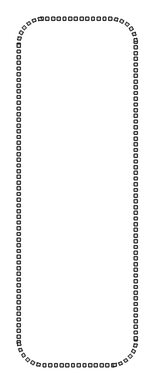
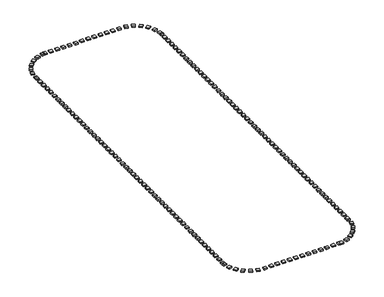
"""IFC4 building model written with IfcOpenShell, lengths in millimetres: railing geometry."""

from ifc_helpers import new_model, si_unit, origin, origin_with_axes, place, context, project, spatial, polyline, outline, extrude, source, transform, mapped, element, save


def railing_03834225(model_context):
    return source(origin(), model_context, "Body", "SweptSolid", [
        extrude(outline(polyline([(-58627.5176302, -182245.3396431), (-58627.5176302, -182745.3396431), (-59127.5176302, -182745.3396431), (-59127.5176302, -182245.3396431), (-58627.5176302, -182245.3396431)])), origin_with_axes(), (0.0, 0.0, 1.0), 200.0),
        extrude(outline(polyline([(-59627.5176302, -182245.3396431), (-59627.5176302, -182745.3396431), (-60127.5176302, -182745.3396431), (-60127.5176302, -182245.3396431), (-59627.5176302, -182245.3396431)])), origin_with_axes(), (0.0, 0.0, 1.0), 200.0),
        extrude(outline(polyline([(-60627.5176302, -182245.3396431), (-60627.5176302, -182745.3396431), (-61127.5176302, -182745.3396431), (-61127.5176302, -182245.3396431), (-60627.5176302, -182245.3396431)])), origin_with_axes(), (0.0, 0.0, 1.0), 200.0),
        extrude(outline(polyline([(-61627.5176302, -182245.3396431), (-61627.5176302, -182745.3396431), (-62127.5176302, -182745.3396431), (-62127.5176302, -182245.3396431), (-61627.5176302, -182245.3396431)])), origin_with_axes(), (0.0, 0.0, 1.0), 200.0),
        extrude(outline(polyline([(-62627.5176302, -182245.3396431), (-62627.5176302, -182745.3396431), (-63127.5176302, -182745.3396431), (-63127.5176302, -182245.3396431), (-62627.5176302, -182245.3396431)])), origin_with_axes(), (0.0, 0.0, 1.0), 200.0),
        extrude(outline(polyline([(-63627.5176302, -182245.3396431), (-63627.5176302, -182745.3396431), (-64127.5176302, -182745.3396431), (-64127.5176302, -182245.3396431), (-63627.5176302, -182245.3396431)])), origin_with_axes(), (0.0, 0.0, 1.0), 200.0),
        extrude(outline(polyline([(-64627.5176302, -182245.3396431), (-64627.5176302, -182745.3396431), (-65127.5176302, -182745.3396431), (-65127.5176302, -182245.3396431), (-64627.5176302, -182245.3396431)])), origin_with_axes(), (0.0, 0.0, 1.0), 200.0),
        extrude(outline(polyline([(-65627.5176302, -182245.3396431), (-65627.5176302, -182745.3396431), (-66127.5176302, -182745.3396431), (-66127.5176302, -182245.3396431), (-65627.5176302, -182245.3396431)])), origin_with_axes(), (0.0, 0.0, 1.0), 200.0),
        extrude(outline(polyline([(-66627.5176302, -182245.3396431), (-66627.5176302, -182745.3396431), (-67127.5176302, -182745.3396431), (-67127.5176302, -182245.3396431), (-66627.5176302, -182245.3396431)])), origin_with_axes(), (0.0, 0.0, 1.0), 200.0),
        extrude(outline(polyline([(-67627.5176302, -182245.3396431), (-67627.5176302, -182745.3396431), (-68127.5176302, -182745.3396431), (-68127.5176302, -182245.3396431), (-67627.5176302, -182245.3396431)])), origin_with_axes(), (0.0, 0.0, 1.0), 200.0),
        extrude(outline(polyline([(-68627.5176302, -182245.3396431), (-68627.5176302, -182745.3396431), (-69127.5176302, -182745.3396431), (-69127.5176302, -182245.3396431), (-68627.5176302, -182245.3396431)])), origin_with_axes(), (0.0, 0.0, 1.0), 200.0),
        extrude(outline(polyline([(-69945.8350377, -182256.6122034), (-69910.4664368, -182755.3596967), (-70409.2139301, -182790.7282975), (-70444.582531, -182291.9808042), (-69945.8350377, -182256.6122034)])), origin_with_axes(), (0.0, 0.0, 1.0), 200.0),
        extrude(outline(polyline([(-71046.4682609, -182474.908856), (-70888.8070797, -182949.4011657), (-71363.2993894, -183107.0623469), (-71520.9605706, -182632.5700372), (-71046.4682609, -182474.908856)])), origin_with_axes(), (0.0, 0.0, 1.0), 200.0),
        extrude(outline(polyline([(-72058.8780066, -182958.7202115), (-71788.7268536, -183379.4557039), (-72209.462346, -183649.6068568), (-72479.613499, -183228.8713644), (-72058.8780066, -182958.7202115)])), origin_with_axes(), (0.0, 0.0, 1.0), 200.0),
        extrude(outline(polyline([(-72920.1175401, -183677.965223), (-72554.2731056, -184018.784603), (-72895.0924857, -184384.6290375), (-73260.9369201, -184043.8096575), (-72920.1175401, -183677.965223)])), origin_with_axes(), (0.0, 0.0, 1.0), 200.0),
        extrude(outline(polyline([(-73576.6391587, -184587.9247194), (-73137.8478777, -184827.6374887), (-73377.560647, -185266.4287697), (-73816.351928, -185026.7160004), (-73576.6391587, -184587.9247194)])), origin_with_axes(), (0.0, 0.0, 1.0), 200.0),
        extrude(outline(polyline([(-73987.6235278, -185632.0218265), (-73503.167317, -185755.7238061), (-73626.8692966, -186240.180017), (-74111.3255075, -186116.4780373), (-73987.6235278, -185632.0218265)])), origin_with_axes(), (0.0, 0.0, 1.0), 200.0),
        extrude(outline(polyline([(-74127.5176302, -186954.0566268), (-73627.5176302, -186954.0566268), (-73627.5176302, -187454.0566268), (-74127.5176302, -187454.0566268), (-74127.5176302, -186954.0566268)])), origin_with_axes(), (0.0, 0.0, 1.0), 200.0),
        extrude(outline(polyline([(-74127.5176302, -187954.0566268), (-73627.5176302, -187954.0566268), (-73627.5176302, -188454.0566268), (-74127.5176302, -188454.0566268), (-74127.5176302, -187954.0566268)])), origin_with_axes(), (0.0, 0.0, 1.0), 200.0),
        extrude(outline(polyline([(-74127.5176302, -188954.0566268), (-73627.5176302, -188954.0566268), (-73627.5176302, -189454.0566268), (-74127.5176302, -189454.0566268), (-74127.5176302, -188954.0566268)])), origin_with_axes(), (0.0, 0.0, 1.0), 200.0),
        extrude(outline(polyline([(-74127.5176302, -189954.0566268), (-73627.5176302, -189954.0566268), (-73627.5176302, -190454.0566268), (-74127.5176302, -190454.0566268), (-74127.5176302, -189954.0566268)])), origin_with_axes(), (0.0, 0.0, 1.0), 200.0),
        extrude(outline(polyline([(-74127.5176302, -190954.0566268), (-73627.5176302, -190954.0566268), (-73627.5176302, -191454.0566268), (-74127.5176302, -191454.0566268), (-74127.5176302, -190954.0566268)])), origin_with_axes(), (0.0, 0.0, 1.0), 200.0),
        extrude(outline(polyline([(-74127.5176302, -191954.0566268), (-73627.5176302, -191954.0566268), (-73627.5176302, -192454.0566268), (-74127.5176302, -192454.0566268), (-74127.5176302, -191954.0566268)])), origin_with_axes(), (0.0, 0.0, 1.0), 200.0),
        extrude(outline(polyline([(-74127.5176302, -192954.0566268), (-73627.5176302, -192954.0566268), (-73627.5176302, -193454.0566268), (-74127.5176302, -193454.0566268), (-74127.5176302, -192954.0566268)])), origin_with_axes(), (0.0, 0.0, 1.0), 200.0),
        extrude(outline(polyline([(-74127.5176302, -193954.0566268), (-73627.5176302, -193954.0566268), (-73627.5176302, -194454.0566268), (-74127.5176302, -194454.0566268), (-74127.5176302, -193954.0566268)])), origin_with_axes(), (0.0, 0.0, 1.0), 200.0),
        extrude(outline(polyline([(-74127.5176302, -194954.0566268), (-73627.5176302, -194954.0566268), (-73627.5176302, -195454.0566268), (-74127.5176302, -195454.0566268), (-74127.5176302, -194954.0566268)])), origin_with_axes(), (0.0, 0.0, 1.0), 200.0),
        extrude(outline(polyline([(-74127.5176302, -195954.0566268), (-73627.5176302, -195954.0566268), (-73627.5176302, -196454.0566268), (-74127.5176302, -196454.0566268), (-74127.5176302, -195954.0566268)])), origin_with_axes(), (0.0, 0.0, 1.0), 200.0),
        extrude(outline(polyline([(-74127.5176302, -196954.0566268), (-73627.5176302, -196954.0566268), (-73627.5176302, -197454.0566268), (-74127.5176302, -197454.0566268), (-74127.5176302, -196954.0566268)])), origin_with_axes(), (0.0, 0.0, 1.0), 200.0),
        extrude(outline(polyline([(-74127.5176302, -197954.0566268), (-73627.5176302, -197954.0566268), (-73627.5176302, -198454.0566268), (-74127.5176302, -198454.0566268), (-74127.5176302, -197954.0566268)])), origin_with_axes(), (0.0, 0.0, 1.0), 200.0),
        extrude(outline(polyline([(-74127.5176302, -198954.0566268), (-73627.5176302, -198954.0566268), (-73627.5176302, -199454.0566268), (-74127.5176302, -199454.0566268), (-74127.5176302, -198954.0566268)])), origin_with_axes(), (0.0, 0.0, 1.0), 200.0),
        extrude(outline(polyline([(-74127.5176302, -199954.0566268), (-73627.5176302, -199954.0566268), (-73627.5176302, -200454.0566268), (-74127.5176302, -200454.0566268), (-74127.5176302, -199954.0566268)])), origin_with_axes(), (0.0, 0.0, 1.0), 200.0),
        extrude(outline(polyline([(-74127.5176302, -200954.0566268), (-73627.5176302, -200954.0566268), (-73627.5176302, -201454.0566268), (-74127.5176302, -201454.0566268), (-74127.5176302, -200954.0566268)])), origin_with_axes(), (0.0, 0.0, 1.0), 200.0),
        extrude(outline(polyline([(-74127.5176302, -201954.0566268), (-73627.5176302, -201954.0566268), (-73627.5176302, -202454.0566268), (-74127.5176302, -202454.0566268), (-74127.5176302, -201954.0566268)])), origin_with_axes(), (0.0, 0.0, 1.0), 200.0),
        extrude(outline(polyline([(-74127.5176302, -202954.0566268), (-73627.5176302, -202954.0566268), (-73627.5176302, -203454.0566268), (-74127.5176302, -203454.0566268), (-74127.5176302, -202954.0566268)])), origin_with_axes(), (0.0, 0.0, 1.0), 200.0),
        extrude(outline(polyline([(-74127.5176302, -203954.0566268), (-73627.5176302, -203954.0566268), (-73627.5176302, -204454.0566268), (-74127.5176302, -204454.0566268), (-74127.5176302, -203954.0566268)])), origin_with_axes(), (0.0, 0.0, 1.0), 200.0),
        extrude(outline(polyline([(-74127.5176302, -204954.0566268), (-73627.5176302, -204954.0566268), (-73627.5176302, -205454.0566268), (-74127.5176302, -205454.0566268), (-74127.5176302, -204954.0566268)])), origin_with_axes(), (0.0, 0.0, 1.0), 200.0),
        extrude(outline(polyline([(-74127.5176302, -205954.0566268), (-73627.5176302, -205954.0566268), (-73627.5176302, -206454.0566268), (-74127.5176302, -206454.0566268), (-74127.5176302, -205954.0566268)])), origin_with_axes(), (0.0, 0.0, 1.0), 200.0),
        extrude(outline(polyline([(-74127.5176302, -206954.0566268), (-73627.5176302, -206954.0566268), (-73627.5176302, -207454.0566268), (-74127.5176302, -207454.0566268), (-74127.5176302, -206954.0566268)])), origin_with_axes(), (0.0, 0.0, 1.0), 200.0),
        extrude(outline(polyline([(-74127.5176302, -207954.0566268), (-73627.5176302, -207954.0566268), (-73627.5176302, -208454.0566268), (-74127.5176302, -208454.0566268), (-74127.5176302, -207954.0566268)])), origin_with_axes(), (0.0, 0.0, 1.0), 200.0),
        extrude(outline(polyline([(-74127.5176302, -208954.0566268), (-73627.5176302, -208954.0566268), (-73627.5176302, -209454.0566268), (-74127.5176302, -209454.0566268), (-74127.5176302, -208954.0566268)])), origin_with_axes(), (0.0, 0.0, 1.0), 200.0),
        extrude(outline(polyline([(-74127.5176302, -209954.0566268), (-73627.5176302, -209954.0566268), (-73627.5176302, -210454.0566268), (-74127.5176302, -210454.0566268), (-74127.5176302, -209954.0566268)])), origin_with_axes(), (0.0, 0.0, 1.0), 200.0),
        extrude(outline(polyline([(-74127.5176302, -210954.0566268), (-73627.5176302, -210954.0566268), (-73627.5176302, -211454.0566268), (-74127.5176302, -211454.0566268), (-74127.5176302, -210954.0566268)])), origin_with_axes(), (0.0, 0.0, 1.0), 200.0),
        extrude(outline(polyline([(-74127.5176302, -211954.0566268), (-73627.5176302, -211954.0566268), (-73627.5176302, -212454.0566268), (-74127.5176302, -212454.0566268), (-74127.5176302, -211954.0566268)])), origin_with_axes(), (0.0, 0.0, 1.0), 200.0),
        extrude(outline(polyline([(-74127.5176302, -212954.0566268), (-73627.5176302, -212954.0566268), (-73627.5176302, -213454.0566268), (-74127.5176302, -213454.0566268), (-74127.5176302, -212954.0566268)])), origin_with_axes(), (0.0, 0.0, 1.0), 200.0),
        extrude(outline(polyline([(-74127.5176302, -213954.0566268), (-73627.5176302, -213954.0566268), (-73627.5176302, -214454.0566268), (-74127.5176302, -214454.0566268), (-74127.5176302, -213954.0566268)])), origin_with_axes(), (0.0, 0.0, 1.0), 200.0),
        extrude(outline(polyline([(-74127.5176302, -214954.0566268), (-73627.5176302, -214954.0566268), (-73627.5176302, -215454.0566268), (-74127.5176302, -215454.0566268), (-74127.5176302, -214954.0566268)])), origin_with_axes(), (0.0, 0.0, 1.0), 200.0),
        extrude(outline(polyline([(-74127.5176302, -215954.0566268), (-73627.5176302, -215954.0566268), (-73627.5176302, -216454.0566268), (-74127.5176302, -216454.0566268), (-74127.5176302, -215954.0566268)])), origin_with_axes(), (0.0, 0.0, 1.0), 200.0),
        extrude(outline(polyline([(-74127.5176302, -216954.0566268), (-73627.5176302, -216954.0566268), (-73627.5176302, -217454.0566268), (-74127.5176302, -217454.0566268), (-74127.5176302, -216954.0566268)])), origin_with_axes(), (0.0, 0.0, 1.0), 200.0),
        extrude(outline(polyline([(-74127.5176302, -217954.0566268), (-73627.5176302, -217954.0566268), (-73627.5176302, -218454.0566268), (-74127.5176302, -218454.0566268), (-74127.5176302, -217954.0566268)])), origin_with_axes(), (0.0, 0.0, 1.0), 200.0),
        extrude(outline(polyline([(-74127.5176302, -218954.0566268), (-73627.5176302, -218954.0566268), (-73627.5176302, -219454.0566268), (-74127.5176302, -219454.0566268), (-74127.5176302, -218954.0566268)])), origin_with_axes(), (0.0, 0.0, 1.0), 200.0),
        extrude(outline(polyline([(-74127.5176302, -219954.0566268), (-73627.5176302, -219954.0566268), (-73627.5176302, -220454.0566268), (-74127.5176302, -220454.0566268), (-74127.5176302, -219954.0566268)])), origin_with_axes(), (0.0, 0.0, 1.0), 200.0),
        extrude(outline(polyline([(-74127.5176302, -220954.0566268), (-73627.5176302, -220954.0566268), (-73627.5176302, -221454.0566268), (-74127.5176302, -221454.0566268), (-74127.5176302, -220954.0566268)])), origin_with_axes(), (0.0, 0.0, 1.0), 200.0),
        extrude(outline(polyline([(-74127.5176302, -221954.0566268), (-73627.5176302, -221954.0566268), (-73627.5176302, -222454.0566268), (-74127.5176302, -222454.0566268), (-74127.5176302, -221954.0566268)])), origin_with_axes(), (0.0, 0.0, 1.0), 200.0),
        extrude(outline(polyline([(-74127.5176302, -222954.0566268), (-73627.5176302, -222954.0566268), (-73627.5176302, -223454.0566268), (-74127.5176302, -223454.0566268), (-74127.5176302, -222954.0566268)])), origin_with_axes(), (0.0, 0.0, 1.0), 200.0),
        extrude(outline(polyline([(-74127.5176302, -223954.0566268), (-73627.5176302, -223954.0566268), (-73627.5176302, -224454.0566268), (-74127.5176302, -224454.0566268), (-74127.5176302, -223954.0566268)])), origin_with_axes(), (0.0, 0.0, 1.0), 200.0),
        extrude(outline(polyline([(-74127.5176302, -224954.0566268), (-73627.5176302, -224954.0566268), (-73627.5176302, -225454.0566268), (-74127.5176302, -225454.0566268), (-74127.5176302, -224954.0566268)])), origin_with_axes(), (0.0, 0.0, 1.0), 200.0),
        extrude(outline(polyline([(-74127.5176302, -225954.0566268), (-73627.5176302, -225954.0566268), (-73627.5176302, -226454.0566268), (-74127.5176302, -226454.0566268), (-74127.5176302, -225954.0566268)])), origin_with_axes(), (0.0, 0.0, 1.0), 200.0),
        extrude(outline(polyline([(-74127.5176302, -226954.0566268), (-73627.5176302, -226954.0566268), (-73627.5176302, -227454.0566268), (-74127.5176302, -227454.0566268), (-74127.5176302, -226954.0566268)])), origin_with_axes(), (0.0, 0.0, 1.0), 200.0),
        extrude(outline(polyline([(-74127.5176302, -227954.0566268), (-73627.5176302, -227954.0566268), (-73627.5176302, -228454.0566268), (-74127.5176302, -228454.0566268), (-74127.5176302, -227954.0566268)])), origin_with_axes(), (0.0, 0.0, 1.0), 200.0),
        extrude(outline(polyline([(-74127.5176302, -228954.0566268), (-73627.5176302, -228954.0566268), (-73627.5176302, -229454.0566268), (-74127.5176302, -229454.0566268), (-74127.5176302, -228954.0566268)])), origin_with_axes(), (0.0, 0.0, 1.0), 200.0),
        extrude(outline(polyline([(-74127.5176302, -229954.0566268), (-73627.5176302, -229954.0566268), (-73627.5176302, -230454.0566268), (-74127.5176302, -230454.0566268), (-74127.5176302, -229954.0566268)])), origin_with_axes(), (0.0, 0.0, 1.0), 200.0),
        extrude(outline(polyline([(-74127.5176302, -230954.0566268), (-73627.5176302, -230954.0566268), (-73627.5176302, -231454.0566268), (-74127.5176302, -231454.0566268), (-74127.5176302, -230954.0566268)])), origin_with_axes(), (0.0, 0.0, 1.0), 200.0),
        extrude(outline(polyline([(-74127.5176302, -231954.0566268), (-73627.5176302, -231954.0566268), (-73627.5176302, -232454.0566268), (-74127.5176302, -232454.0566268), (-74127.5176302, -231954.0566268)])), origin_with_axes(), (0.0, 0.0, 1.0), 200.0),
        extrude(outline(polyline([(-74127.5176302, -232954.0566268), (-73627.5176302, -232954.0566268), (-73627.5176302, -233454.0566268), (-74127.5176302, -233454.0566268), (-74127.5176302, -232954.0566268)])), origin_with_axes(), (0.0, 0.0, 1.0), 200.0),
        extrude(outline(polyline([(-74127.5176302, -233954.0566268), (-73627.5176302, -233954.0566268), (-73627.5176302, -234454.0566268), (-74127.5176302, -234454.0566268), (-74127.5176302, -233954.0566268)])), origin_with_axes(), (0.0, 0.0, 1.0), 200.0),
        extrude(outline(polyline([(-74127.5176302, -234954.0566268), (-73627.5176302, -234954.0566268), (-73627.5176302, -235454.0566268), (-74127.5176302, -235454.0566268), (-74127.5176302, -234954.0566268)])), origin_with_axes(), (0.0, 0.0, 1.0), 200.0),
        extrude(outline(polyline([(-74127.5176302, -235954.0566268), (-73627.5176302, -235954.0566268), (-73627.5176302, -236454.0566268), (-74127.5176302, -236454.0566268), (-74127.5176302, -235954.0566268)])), origin_with_axes(), (0.0, 0.0, 1.0), 200.0),
        extrude(outline(polyline([(-74127.5176302, -236954.0566268), (-73627.5176302, -236954.0566268), (-73627.5176302, -237454.0566268), (-74127.5176302, -237454.0566268), (-74127.5176302, -236954.0566268)])), origin_with_axes(), (0.0, 0.0, 1.0), 200.0),
        extrude(outline(polyline([(-74127.5176302, -237954.0566268), (-73627.5176302, -237954.0566268), (-73627.5176302, -238454.0566268), (-74127.5176302, -238454.0566268), (-74127.5176302, -237954.0566268)])), origin_with_axes(), (0.0, 0.0, 1.0), 200.0),
        extrude(outline(polyline([(-74116.2450699, -239272.3740343), (-73617.4975766, -239237.0054335), (-73582.1289757, -239735.7529268), (-74080.876469, -239771.1215276), (-74116.2450699, -239272.3740343)])), origin_with_axes(), (0.0, 0.0, 1.0), 200.0),
        extrude(outline(polyline([(-73897.9484173, -240373.0072576), (-73423.4561076, -240215.3460764), (-73265.7949264, -240689.838386), (-73740.2872361, -240847.4995672), (-73897.9484173, -240373.0072576)])), origin_with_axes(), (0.0, 0.0, 1.0), 200.0),
        extrude(outline(polyline([(-73414.1370618, -241385.4170032), (-72993.4015694, -241115.2658503), (-72723.2504164, -241536.0013427), (-73143.9859089, -241806.1524956), (-73414.1370618, -241385.4170032)])), origin_with_axes(), (0.0, 0.0, 1.0), 200.0),
        extrude(outline(polyline([(-72694.8920503, -242246.6565367), (-72354.0726702, -241880.8121023), (-71988.2282358, -242221.6314823), (-72329.0476158, -242587.4759167), (-72694.8920503, -242246.6565367)])), origin_with_axes(), (0.0, 0.0, 1.0), 200.0),
        extrude(outline(polyline([(-71784.9325539, -242903.1781553), (-71545.2197846, -242464.3868743), (-71106.4285036, -242704.0996436), (-71346.1412729, -243142.8909246), (-71784.9325539, -242903.1781553)])), origin_with_axes(), (0.0, 0.0, 1.0), 200.0),
        extrude(outline(polyline([(-70740.8354468, -243314.1625245), (-70617.1334672, -242829.7063136), (-70132.6772563, -242953.4082933), (-70256.3792359, -243437.8645041), (-70740.8354468, -243314.1625245)])), origin_with_axes(), (0.0, 0.0, 1.0), 200.0),
        extrude(outline(polyline([(-68627.5176302, -243454.0566268), (-68627.5176302, -242954.0566268), (-68127.5176302, -242954.0566268), (-68127.5176302, -243454.0566268), (-68627.5176302, -243454.0566268)])), origin_with_axes(), (0.0, 0.0, 1.0), 200.0),
        extrude(outline(polyline([(-67627.5176302, -243454.0566268), (-67627.5176302, -242954.0566268), (-67127.5176302, -242954.0566268), (-67127.5176302, -243454.0566268), (-67627.5176302, -243454.0566268)])), origin_with_axes(), (0.0, 0.0, 1.0), 200.0),
        extrude(outline(polyline([(-66627.5176302, -243454.0566268), (-66627.5176302, -242954.0566268), (-66127.5176302, -242954.0566268), (-66127.5176302, -243454.0566268), (-66627.5176302, -243454.0566268)])), origin_with_axes(), (0.0, 0.0, 1.0), 200.0),
        extrude(outline(polyline([(-65627.5176302, -243454.0566268), (-65627.5176302, -242954.0566268), (-65127.5176302, -242954.0566268), (-65127.5176302, -243454.0566268), (-65627.5176302, -243454.0566268)])), origin_with_axes(), (0.0, 0.0, 1.0), 200.0),
        extrude(outline(polyline([(-64627.5176302, -243454.0566268), (-64627.5176302, -242954.0566268), (-64127.5176302, -242954.0566268), (-64127.5176302, -243454.0566268), (-64627.5176302, -243454.0566268)])), origin_with_axes(), (0.0, 0.0, 1.0), 200.0),
        extrude(outline(polyline([(-63627.5176302, -243454.0566268), (-63627.5176302, -242954.0566268), (-63127.5176302, -242954.0566268), (-63127.5176302, -243454.0566268), (-63627.5176302, -243454.0566268)])), origin_with_axes(), (0.0, 0.0, 1.0), 200.0),
        extrude(outline(polyline([(-62627.5176302, -243454.0566268), (-62627.5176302, -242954.0566268), (-62127.5176302, -242954.0566268), (-62127.5176302, -243454.0566268), (-62627.5176302, -243454.0566268)])), origin_with_axes(), (0.0, 0.0, 1.0), 200.0),
        extrude(outline(polyline([(-61627.5176302, -243454.0566268), (-61627.5176302, -242954.0566268), (-61127.5176302, -242954.0566268), (-61127.5176302, -243454.0566268), (-61627.5176302, -243454.0566268)])), origin_with_axes(), (0.0, 0.0, 1.0), 200.0),
        extrude(outline(polyline([(-60627.5176302, -243454.0566268), (-60627.5176302, -242954.0566268), (-60127.5176302, -242954.0566268), (-60127.5176302, -243454.0566268), (-60627.5176302, -243454.0566268)])), origin_with_axes(), (0.0, 0.0, 1.0), 200.0),
        extrude(outline(polyline([(-59627.5176302, -243454.0566268), (-59627.5176302, -242954.0566268), (-59127.5176302, -242954.0566268), (-59127.5176302, -243454.0566268), (-59627.5176302, -243454.0566268)])), origin_with_axes(), (0.0, 0.0, 1.0), 200.0),
        extrude(outline(polyline([(-58627.5176302, -243454.0566268), (-58627.5176302, -242954.0566268), (-58127.5176302, -242954.0566268), (-58127.5176302, -243454.0566268), (-58627.5176302, -243454.0566268)])), origin_with_axes(), (0.0, 0.0, 1.0), 200.0),
        extrude(outline(polyline([(-57309.2002226, -243442.7840665), (-57344.5688235, -242944.0365732), (-56845.8213302, -242908.6679724), (-56810.4527293, -243407.4154657), (-57309.2002226, -243442.7840665)])), origin_with_axes(), (0.0, 0.0, 1.0), 200.0),
        extrude(outline(polyline([(-56208.5669994, -243224.4874139), (-56366.2281806, -242749.9951042), (-55891.7358709, -242592.333923), (-55734.0746897, -243066.8262327), (-56208.5669994, -243224.4874139)])), origin_with_axes(), (0.0, 0.0, 1.0), 200.0),
        extrude(outline(polyline([(-55196.1572537, -242740.6760584), (-55466.3084067, -242319.940566), (-55045.5729143, -242049.7894131), (-54775.4217613, -242470.5249055), (-55196.1572537, -242740.6760584)])), origin_with_axes(), (0.0, 0.0, 1.0), 200.0),
        extrude(outline(polyline([(-54334.9177202, -242021.4310469), (-54700.7621547, -241680.6116669), (-54359.9427746, -241314.7672324), (-53994.0983402, -241655.5866125), (-54334.9177202, -242021.4310469)])), origin_with_axes(), (0.0, 0.0, 1.0), 200.0),
        extrude(outline(polyline([(-53678.3961016, -241111.4715505), (-54117.1873826, -240871.7587812), (-53877.4746133, -240432.9675003), (-53438.6833323, -240672.6802696), (-53678.3961016, -241111.4715505)])), origin_with_axes(), (0.0, 0.0, 1.0), 200.0),
        extrude(outline(polyline([(-53267.4117325, -240067.3744434), (-53751.8679433, -239943.6724638), (-53628.1659637, -239459.2162529), (-53143.7097528, -239582.9182326), (-53267.4117325, -240067.3744434)])), origin_with_axes(), (0.0, 0.0, 1.0), 200.0),
        extrude(outline(polyline([(-53127.5176302, -238745.3396431), (-53627.5176302, -238745.3396431), (-53627.5176302, -238245.3396431), (-53127.5176302, -238245.3396431), (-53127.5176302, -238745.3396431)])), origin_with_axes(), (0.0, 0.0, 1.0), 200.0),
        extrude(outline(polyline([(-53127.5176302, -237745.3396431), (-53627.5176302, -237745.3396431), (-53627.5176302, -237245.3396431), (-53127.5176302, -237245.3396431), (-53127.5176302, -237745.3396431)])), origin_with_axes(), (0.0, 0.0, 1.0), 200.0),
        extrude(outline(polyline([(-53127.5176302, -236745.3396431), (-53627.5176302, -236745.3396431), (-53627.5176302, -236245.3396431), (-53127.5176302, -236245.3396431), (-53127.5176302, -236745.3396431)])), origin_with_axes(), (0.0, 0.0, 1.0), 200.0),
        extrude(outline(polyline([(-53127.5176302, -235745.3396431), (-53627.5176302, -235745.3396431), (-53627.5176302, -235245.3396431), (-53127.5176302, -235245.3396431), (-53127.5176302, -235745.3396431)])), origin_with_axes(), (0.0, 0.0, 1.0), 200.0),
        extrude(outline(polyline([(-53127.5176302, -234745.3396431), (-53627.5176302, -234745.3396431), (-53627.5176302, -234245.3396431), (-53127.5176302, -234245.3396431), (-53127.5176302, -234745.3396431)])), origin_with_axes(), (0.0, 0.0, 1.0), 200.0),
        extrude(outline(polyline([(-53127.5176302, -233745.3396431), (-53627.5176302, -233745.3396431), (-53627.5176302, -233245.3396431), (-53127.5176302, -233245.3396431), (-53127.5176302, -233745.3396431)])), origin_with_axes(), (0.0, 0.0, 1.0), 200.0),
        extrude(outline(polyline([(-53127.5176302, -232745.3396431), (-53627.5176302, -232745.3396431), (-53627.5176302, -232245.3396431), (-53127.5176302, -232245.3396431), (-53127.5176302, -232745.3396431)])), origin_with_axes(), (0.0, 0.0, 1.0), 200.0),
        extrude(outline(polyline([(-53127.5176302, -231745.3396431), (-53627.5176302, -231745.3396431), (-53627.5176302, -231245.3396431), (-53127.5176302, -231245.3396431), (-53127.5176302, -231745.3396431)])), origin_with_axes(), (0.0, 0.0, 1.0), 200.0),
        extrude(outline(polyline([(-53127.5176302, -230745.3396431), (-53627.5176302, -230745.3396431), (-53627.5176302, -230245.3396431), (-53127.5176302, -230245.3396431), (-53127.5176302, -230745.3396431)])), origin_with_axes(), (0.0, 0.0, 1.0), 200.0),
        extrude(outline(polyline([(-53127.5176302, -229745.3396431), (-53627.5176302, -229745.3396431), (-53627.5176302, -229245.3396431), (-53127.5176302, -229245.3396431), (-53127.5176302, -229745.3396431)])), origin_with_axes(), (0.0, 0.0, 1.0), 200.0),
        extrude(outline(polyline([(-53127.5176302, -228745.3396431), (-53627.5176302, -228745.3396431), (-53627.5176302, -228245.3396431), (-53127.5176302, -228245.3396431), (-53127.5176302, -228745.3396431)])), origin_with_axes(), (0.0, 0.0, 1.0), 200.0),
        extrude(outline(polyline([(-53127.5176302, -227745.3396431), (-53627.5176302, -227745.3396431), (-53627.5176302, -227245.3396431), (-53127.5176302, -227245.3396431), (-53127.5176302, -227745.3396431)])), origin_with_axes(), (0.0, 0.0, 1.0), 200.0),
        extrude(outline(polyline([(-53127.5176302, -226745.3396431), (-53627.5176302, -226745.3396431), (-53627.5176302, -226245.3396431), (-53127.5176302, -226245.3396431), (-53127.5176302, -226745.3396431)])), origin_with_axes(), (0.0, 0.0, 1.0), 200.0),
        extrude(outline(polyline([(-53127.5176302, -225745.3396431), (-53627.5176302, -225745.3396431), (-53627.5176302, -225245.3396431), (-53127.5176302, -225245.3396431), (-53127.5176302, -225745.3396431)])), origin_with_axes(), (0.0, 0.0, 1.0), 200.0),
        extrude(outline(polyline([(-53127.5176302, -224745.3396431), (-53627.5176302, -224745.3396431), (-53627.5176302, -224245.3396431), (-53127.5176302, -224245.3396431), (-53127.5176302, -224745.3396431)])), origin_with_axes(), (0.0, 0.0, 1.0), 200.0),
        extrude(outline(polyline([(-53127.5176302, -223745.3396431), (-53627.5176302, -223745.3396431), (-53627.5176302, -223245.3396431), (-53127.5176302, -223245.3396431), (-53127.5176302, -223745.3396431)])), origin_with_axes(), (0.0, 0.0, 1.0), 200.0),
        extrude(outline(polyline([(-53127.5176302, -222745.3396431), (-53627.5176302, -222745.3396431), (-53627.5176302, -222245.3396431), (-53127.5176302, -222245.3396431), (-53127.5176302, -222745.3396431)])), origin_with_axes(), (0.0, 0.0, 1.0), 200.0),
        extrude(outline(polyline([(-53127.5176302, -221745.3396431), (-53627.5176302, -221745.3396431), (-53627.5176302, -221245.3396431), (-53127.5176302, -221245.3396431), (-53127.5176302, -221745.3396431)])), origin_with_axes(), (0.0, 0.0, 1.0), 200.0),
        extrude(outline(polyline([(-53127.5176302, -220745.3396431), (-53627.5176302, -220745.3396431), (-53627.5176302, -220245.3396431), (-53127.5176302, -220245.3396431), (-53127.5176302, -220745.3396431)])), origin_with_axes(), (0.0, 0.0, 1.0), 200.0),
        extrude(outline(polyline([(-53127.5176302, -219745.3396431), (-53627.5176302, -219745.3396431), (-53627.5176302, -219245.3396431), (-53127.5176302, -219245.3396431), (-53127.5176302, -219745.3396431)])), origin_with_axes(), (0.0, 0.0, 1.0), 200.0),
        extrude(outline(polyline([(-53127.5176302, -218745.3396431), (-53627.5176302, -218745.3396431), (-53627.5176302, -218245.3396431), (-53127.5176302, -218245.3396431), (-53127.5176302, -218745.3396431)])), origin_with_axes(), (0.0, 0.0, 1.0), 200.0),
        extrude(outline(polyline([(-53127.5176302, -217745.3396431), (-53627.5176302, -217745.3396431), (-53627.5176302, -217245.3396431), (-53127.5176302, -217245.3396431), (-53127.5176302, -217745.3396431)])), origin_with_axes(), (0.0, 0.0, 1.0), 200.0),
        extrude(outline(polyline([(-53127.5176302, -216745.3396431), (-53627.5176302, -216745.3396431), (-53627.5176302, -216245.3396431), (-53127.5176302, -216245.3396431), (-53127.5176302, -216745.3396431)])), origin_with_axes(), (0.0, 0.0, 1.0), 200.0),
        extrude(outline(polyline([(-53127.5176302, -215745.3396431), (-53627.5176302, -215745.3396431), (-53627.5176302, -215245.3396431), (-53127.5176302, -215245.3396431), (-53127.5176302, -215745.3396431)])), origin_with_axes(), (0.0, 0.0, 1.0), 200.0),
        extrude(outline(polyline([(-53127.5176302, -214745.3396431), (-53627.5176302, -214745.3396431), (-53627.5176302, -214245.3396431), (-53127.5176302, -214245.3396431), (-53127.5176302, -214745.3396431)])), origin_with_axes(), (0.0, 0.0, 1.0), 200.0),
        extrude(outline(polyline([(-53127.5176302, -213745.3396431), (-53627.5176302, -213745.3396431), (-53627.5176302, -213245.3396431), (-53127.5176302, -213245.3396431), (-53127.5176302, -213745.3396431)])), origin_with_axes(), (0.0, 0.0, 1.0), 200.0),
        extrude(outline(polyline([(-53127.5176302, -212745.3396431), (-53627.5176302, -212745.3396431), (-53627.5176302, -212245.3396431), (-53127.5176302, -212245.3396431), (-53127.5176302, -212745.3396431)])), origin_with_axes(), (0.0, 0.0, 1.0), 200.0),
        extrude(outline(polyline([(-53127.5176302, -211745.3396431), (-53627.5176302, -211745.3396431), (-53627.5176302, -211245.3396431), (-53127.5176302, -211245.3396431), (-53127.5176302, -211745.3396431)])), origin_with_axes(), (0.0, 0.0, 1.0), 200.0),
        extrude(outline(polyline([(-53127.5176302, -210745.3396431), (-53627.5176302, -210745.3396431), (-53627.5176302, -210245.3396431), (-53127.5176302, -210245.3396431), (-53127.5176302, -210745.3396431)])), origin_with_axes(), (0.0, 0.0, 1.0), 200.0),
        extrude(outline(polyline([(-53127.5176302, -209745.3396431), (-53627.5176302, -209745.3396431), (-53627.5176302, -209245.3396431), (-53127.5176302, -209245.3396431), (-53127.5176302, -209745.3396431)])), origin_with_axes(), (0.0, 0.0, 1.0), 200.0),
        extrude(outline(polyline([(-53127.5176302, -208745.3396431), (-53627.5176302, -208745.3396431), (-53627.5176302, -208245.3396431), (-53127.5176302, -208245.3396431), (-53127.5176302, -208745.3396431)])), origin_with_axes(), (0.0, 0.0, 1.0), 200.0),
        extrude(outline(polyline([(-53127.5176302, -207745.3396431), (-53627.5176302, -207745.3396431), (-53627.5176302, -207245.3396431), (-53127.5176302, -207245.3396431), (-53127.5176302, -207745.3396431)])), origin_with_axes(), (0.0, 0.0, 1.0), 200.0),
        extrude(outline(polyline([(-53127.5176302, -206745.3396431), (-53627.5176302, -206745.3396431), (-53627.5176302, -206245.3396431), (-53127.5176302, -206245.3396431), (-53127.5176302, -206745.3396431)])), origin_with_axes(), (0.0, 0.0, 1.0), 200.0),
        extrude(outline(polyline([(-53127.5176302, -205745.3396431), (-53627.5176302, -205745.3396431), (-53627.5176302, -205245.3396431), (-53127.5176302, -205245.3396431), (-53127.5176302, -205745.3396431)])), origin_with_axes(), (0.0, 0.0, 1.0), 200.0),
        extrude(outline(polyline([(-53127.5176302, -204745.3396431), (-53627.5176302, -204745.3396431), (-53627.5176302, -204245.3396431), (-53127.5176302, -204245.3396431), (-53127.5176302, -204745.3396431)])), origin_with_axes(), (0.0, 0.0, 1.0), 200.0),
        extrude(outline(polyline([(-53127.5176302, -203745.3396431), (-53627.5176302, -203745.3396431), (-53627.5176302, -203245.3396431), (-53127.5176302, -203245.3396431), (-53127.5176302, -203745.3396431)])), origin_with_axes(), (0.0, 0.0, 1.0), 200.0),
        extrude(outline(polyline([(-53127.5176302, -202745.3396431), (-53627.5176302, -202745.3396431), (-53627.5176302, -202245.3396431), (-53127.5176302, -202245.3396431), (-53127.5176302, -202745.3396431)])), origin_with_axes(), (0.0, 0.0, 1.0), 200.0),
        extrude(outline(polyline([(-53127.5176302, -201745.3396431), (-53627.5176302, -201745.3396431), (-53627.5176302, -201245.3396431), (-53127.5176302, -201245.3396431), (-53127.5176302, -201745.3396431)])), origin_with_axes(), (0.0, 0.0, 1.0), 200.0),
        extrude(outline(polyline([(-53127.5176302, -200745.3396431), (-53627.5176302, -200745.3396431), (-53627.5176302, -200245.3396431), (-53127.5176302, -200245.3396431), (-53127.5176302, -200745.3396431)])), origin_with_axes(), (0.0, 0.0, 1.0), 200.0),
        extrude(outline(polyline([(-53127.5176302, -199745.3396431), (-53627.5176302, -199745.3396431), (-53627.5176302, -199245.3396431), (-53127.5176302, -199245.3396431), (-53127.5176302, -199745.3396431)])), origin_with_axes(), (0.0, 0.0, 1.0), 200.0),
        extrude(outline(polyline([(-53127.5176302, -198745.3396431), (-53627.5176302, -198745.3396431), (-53627.5176302, -198245.3396431), (-53127.5176302, -198245.3396431), (-53127.5176302, -198745.3396431)])), origin_with_axes(), (0.0, 0.0, 1.0), 200.0),
        extrude(outline(polyline([(-53127.5176302, -197745.3396431), (-53627.5176302, -197745.3396431), (-53627.5176302, -197245.3396431), (-53127.5176302, -197245.3396431), (-53127.5176302, -197745.3396431)])), origin_with_axes(), (0.0, 0.0, 1.0), 200.0),
        extrude(outline(polyline([(-53127.5176302, -196745.3396431), (-53627.5176302, -196745.3396431), (-53627.5176302, -196245.3396431), (-53127.5176302, -196245.3396431), (-53127.5176302, -196745.3396431)])), origin_with_axes(), (0.0, 0.0, 1.0), 200.0),
        extrude(outline(polyline([(-53127.5176302, -195745.3396431), (-53627.5176302, -195745.3396431), (-53627.5176302, -195245.3396431), (-53127.5176302, -195245.3396431), (-53127.5176302, -195745.3396431)])), origin_with_axes(), (0.0, 0.0, 1.0), 200.0),
        extrude(outline(polyline([(-53127.5176302, -194745.3396431), (-53627.5176302, -194745.3396431), (-53627.5176302, -194245.3396431), (-53127.5176302, -194245.3396431), (-53127.5176302, -194745.3396431)])), origin_with_axes(), (0.0, 0.0, 1.0), 200.0),
        extrude(outline(polyline([(-53127.5176302, -193745.3396431), (-53627.5176302, -193745.3396431), (-53627.5176302, -193245.3396431), (-53127.5176302, -193245.3396431), (-53127.5176302, -193745.3396431)])), origin_with_axes(), (0.0, 0.0, 1.0), 200.0),
        extrude(outline(polyline([(-53127.5176302, -192745.3396431), (-53627.5176302, -192745.3396431), (-53627.5176302, -192245.3396431), (-53127.5176302, -192245.3396431), (-53127.5176302, -192745.3396431)])), origin_with_axes(), (0.0, 0.0, 1.0), 200.0),
        extrude(outline(polyline([(-53127.5176302, -191745.3396431), (-53627.5176302, -191745.3396431), (-53627.5176302, -191245.3396431), (-53127.5176302, -191245.3396431), (-53127.5176302, -191745.3396431)])), origin_with_axes(), (0.0, 0.0, 1.0), 200.0),
        extrude(outline(polyline([(-53127.5176302, -190745.3396431), (-53627.5176302, -190745.3396431), (-53627.5176302, -190245.3396431), (-53127.5176302, -190245.3396431), (-53127.5176302, -190745.3396431)])), origin_with_axes(), (0.0, 0.0, 1.0), 200.0),
        extrude(outline(polyline([(-53127.5176302, -189745.3396431), (-53627.5176302, -189745.3396431), (-53627.5176302, -189245.3396431), (-53127.5176302, -189245.3396431), (-53127.5176302, -189745.3396431)])), origin_with_axes(), (0.0, 0.0, 1.0), 200.0),
        extrude(outline(polyline([(-53127.5176302, -188745.3396431), (-53627.5176302, -188745.3396431), (-53627.5176302, -188245.3396431), (-53127.5176302, -188245.3396431), (-53127.5176302, -188745.3396431)])), origin_with_axes(), (0.0, 0.0, 1.0), 200.0),
        extrude(outline(polyline([(-53127.5176302, -187745.3396431), (-53627.5176302, -187745.3396431), (-53627.5176302, -187245.3396431), (-53127.5176302, -187245.3396431), (-53127.5176302, -187745.3396431)])), origin_with_axes(), (0.0, 0.0, 1.0), 200.0),
        extrude(outline(polyline([(-53138.7901904, -186427.0222356), (-53637.5376837, -186462.3908365), (-53672.9062846, -185963.6433432), (-53174.1587913, -185928.2747423), (-53138.7901904, -186427.0222356)])), origin_with_axes(), (0.0, 0.0, 1.0), 200.0),
        extrude(outline(polyline([(-53357.0868431, -185326.3890124), (-53831.5791527, -185484.0501935), (-53989.2403339, -185009.5578839), (-53514.7480242, -184851.8967027), (-53357.0868431, -185326.3890124)])), origin_with_axes(), (0.0, 0.0, 1.0), 200.0),
        extrude(outline(polyline([(-53840.8981985, -184313.9792667), (-54261.6336909, -184584.1304197), (-54531.7848439, -184163.3949273), (-54111.0493514, -183893.2437743), (-53840.8981985, -184313.9792667)])), origin_with_axes(), (0.0, 0.0, 1.0), 200.0),
        extrude(outline(polyline([(-54560.14321, -183452.7397332), (-54900.9625901, -183818.5841676), (-55266.8070245, -183477.7647876), (-54925.9876445, -183111.9203532), (-54560.14321, -183452.7397332)])), origin_with_axes(), (0.0, 0.0, 1.0), 200.0),
        extrude(outline(polyline([(-55470.1027064, -182796.2181146), (-55709.8154757, -183235.0093956), (-56148.6067567, -182995.2966263), (-55908.8939874, -182556.5053453), (-55470.1027064, -182796.2181146)])), origin_with_axes(), (0.0, 0.0, 1.0), 200.0),
        extrude(outline(polyline([(-56514.1998135, -182385.2337454), (-56637.9017931, -182869.6899563), (-57122.358004, -182745.9879767), (-56998.6560244, -182261.5317658), (-56514.1998135, -182385.2337454)])), origin_with_axes(), (0.0, 0.0, 1.0), 200.0),
        extrude(outline(polyline([(-57627.5176302, -182245.3396431), (-57627.5176302, -182745.3396431), (-58127.5176302, -182745.3396431), (-58127.5176302, -182245.3396431), (-57627.5176302, -182245.3396431)])), origin_with_axes(), (0.0, 0.0, 1.0), 200.0),
        extrude(outline(polyline([(-69627.5176302, -182245.3396431), (-69627.5176302, -182745.3396431), (-70127.5176302, -182745.3396431), (-70127.5176302, -182245.3396431), (-69627.5176302, -182245.3396431)])), origin_with_axes(), (0.0, 0.0, 1.0), 200.0),
        extrude(outline(polyline([(-74127.5176302, -186745.3396431), (-73627.5176302, -186745.3396431), (-73627.5176302, -187245.3396431), (-74127.5176302, -187245.3396431), (-74127.5176302, -186745.3396431)])), origin_with_axes(), (0.0, 0.0, 1.0), 200.0),
        extrude(outline(polyline([(-74127.5176302, -238954.0566268), (-73627.5176302, -238954.0566268), (-73627.5176302, -239454.0566268), (-74127.5176302, -239454.0566268), (-74127.5176302, -238954.0566268)])), origin_with_axes(), (0.0, 0.0, 1.0), 200.0),
        extrude(outline(polyline([(-69627.5176302, -243454.0566268), (-69627.5176302, -242954.0566268), (-69127.5176302, -242954.0566268), (-69127.5176302, -243454.0566268), (-69627.5176302, -243454.0566268)])), origin_with_axes(), (0.0, 0.0, 1.0), 200.0),
        extrude(outline(polyline([(-57627.5176302, -243454.0566268), (-57627.5176302, -242954.0566268), (-57127.5176302, -242954.0566268), (-57127.5176302, -243454.0566268), (-57627.5176302, -243454.0566268)])), origin_with_axes(), (0.0, 0.0, 1.0), 200.0),
        extrude(outline(polyline([(-53127.5176302, -238954.0566268), (-53627.5176302, -238954.0566268), (-53627.5176302, -238454.0566268), (-53127.5176302, -238454.0566268), (-53127.5176302, -238954.0566268)])), origin_with_axes(), (0.0, 0.0, 1.0), 200.0),
        extrude(outline(polyline([(-53127.5176302, -186745.3396431), (-53627.5176302, -186745.3396431), (-53627.5176302, -186245.3396431), (-53127.5176302, -186245.3396431), (-53127.5176302, -186745.3396431)])), origin_with_axes(), (0.0, 0.0, 1.0), 200.0),
    ])


if __name__ == "__main__":
    model = new_model("IFC4")
    model_context = context("Model", 3, world=origin())
    ifc_project = project(units=[si_unit("LENGTHUNIT", "METRE", prefix="MILLI")], contexts=[model_context])
    site = spatial("IfcSite", under=ifc_project)
    building = spatial("IfcBuilding", under=site)
    placement = place(None, origin())
    railing_shape = railing_03834225(model_context)
    element("IfcRailing", 1, at=placement, inside=building, context=model_context, shape_type="MappedRepresentation", body=[
        mapped(railing_shape, transform((0.0, 0.0, 0.0), x_axis=(1.0, 0.0, 0.0), y_axis=(0.0, 1.0, 0.0), z_axis=(0.0, 0.0, 1.0))),
    ])
    save(model, "model.ifc")
